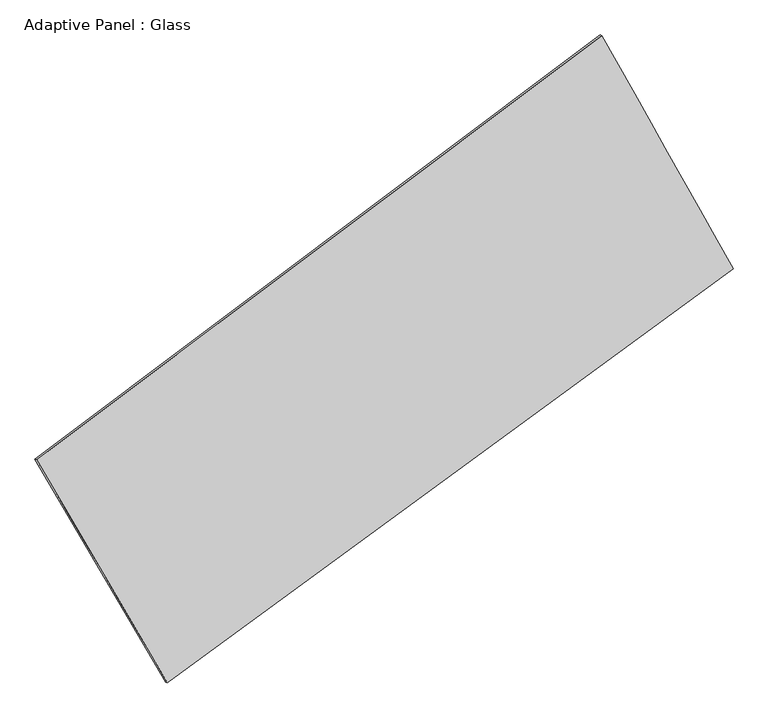
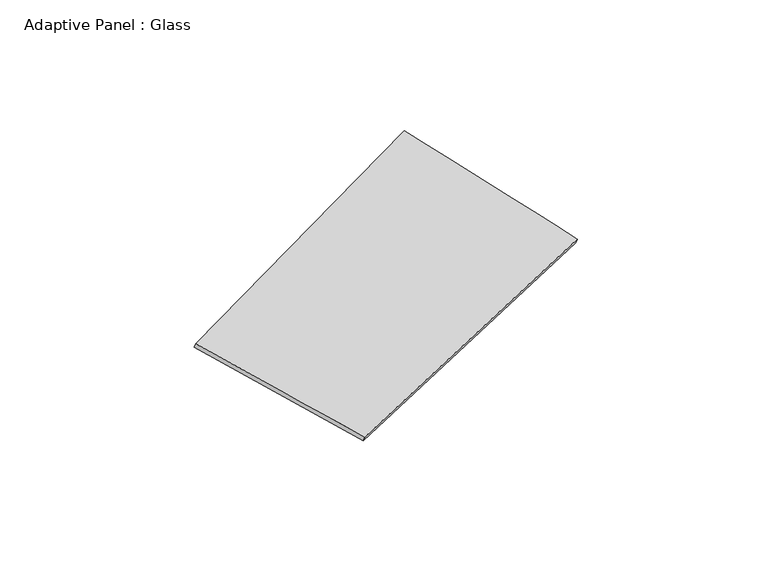
"""IFC4 building model written with IfcOpenShell, lengths in millimetres: plate geometry, Adaptive Panel : Glass."""

from ifc_helpers import new_model, si_unit, frame, origin, place, context, project, spatial, source, transform, mapped, element, save
from ifc_brep_helpers import plane_surface, spline_surface, advanced_brep


def adaptive_panel_glass_fb4a9252(model_context):
    return source(origin(), model_context, "Body", "AdvancedBrep", [
        advanced_brep(
        [(1150.8815034, 2606.8671556, 711.8236668), (-3540.2480006, -915.0593761, 1620.5915311), (-3525.5816447, -921.4394696, 1667.9644391), (1165.5478593, 2600.4870621, 759.1965748), (-2454.5860437, -2765.0485496, 1106.3526801), (-2439.9196879, -2771.4286431, 1153.7255881), (2240.6619627, 672.9921973, 46.3546422), (2255.3283185, 666.6121038, 93.7275502)],
        [
            (0, 1),
            (1, 2),
            (2, 3),
            (3, 0),
            (1, 4),
            (4, 5),
            (5, 2),
            (4, 6),
            (6, 7),
            (7, 5),
            (6, 0),
            (3, 7),
        ],
        [
            plane_surface(frame((-1194.6832486, 845.9038897, 1166.2075989), z_axis=(-0.5426372764301773, 0.7937120198357036, 0.27489273507455153), x_axis=(-0.7902798478232446, -0.5933128815032142, 0.15309339230294233))),
            plane_surface(frame((-2997.4170221, -1840.0539629, 1363.4721056), z_axis=(-0.8247575544881305, -0.5349567457045598, 0.18329281638936526), x_axis=(0.49218463391321743, -0.8386922267395234, -0.2331300815991195))),
            plane_surface(frame((-106.9620405, -1046.0281762, 576.3536612), z_axis=(0.5278533378527648, -0.8046738122760781, -0.2717920336484825), x_axis=(0.7937656726672355, 0.5812256823156615, -0.17920034350364633))),
            plane_surface(frame((1695.7717331, 1639.9296764, 379.0891545), z_axis=(0.8276145542889455, 0.5299866520011767, -0.18484668844665314), x_axis=(-0.47025996916581037, 0.8345020049792249, 0.2871619144068812))),
            spline_surface(1, 1, [[(-3525.5816447, -921.4394696, 1667.9644391), (1165.5478593, 2600.4870621, 759.1965748)], [(-2439.9196879, -2771.4286431, 1153.7255881), (2255.3283185, 666.6121038, 93.7275502)]], [2, 2], [2, 2], [0.0, 1.0], [0.0, 1.0]),
            spline_surface(1, 1, [[(2240.6619627, 672.9921973, 46.3546422), (1150.8815034, 2606.8671556, 711.8236668)], [(-2454.5860437, -2765.0485496, 1106.3526801), (-3540.2480006, -915.0593761, 1620.5915311)]], [2, 2], [2, 2], [0.0, 1.0], [0.0, 1.0]),
        ],
        [
            (0, [[1, 2, 3, 4]]),
            (1, [[5, 6, 7, -2]]),
            (2, [[8, 9, 10, -6]]),
            (3, [[11, -4, 12, -9]]),
            (4, [[-3, -7, -10, -12]]),
            (5, [[-11, -8, -5, -1]]),
        ],
    ),
    ])


if __name__ == "__main__":
    model = new_model("IFC4")
    model_context = context("Model", 3, world=origin())
    ifc_project = project(units=[si_unit("LENGTHUNIT", "METRE", prefix="MILLI")], contexts=[model_context])
    site = spatial("IfcSite", under=ifc_project)
    building = spatial("IfcBuilding", under=site)
    placement = place(None, origin())
    adaptive_panel_glass_shape = adaptive_panel_glass_fb4a9252(model_context)
    element("IfcPlate", 1, ObjectType="Adaptive Panel : Glass", at=placement, inside=building, context=model_context, shape_type="MappedRepresentation", body=[
        mapped(adaptive_panel_glass_shape, transform((0.0, 0.0, 0.0), x_axis=(1.0, 0.0, 0.0), y_axis=(0.0, 1.0, 0.0), z_axis=(0.0, 0.0, 1.0))),
    ])
    save(model, "model.ifc")
